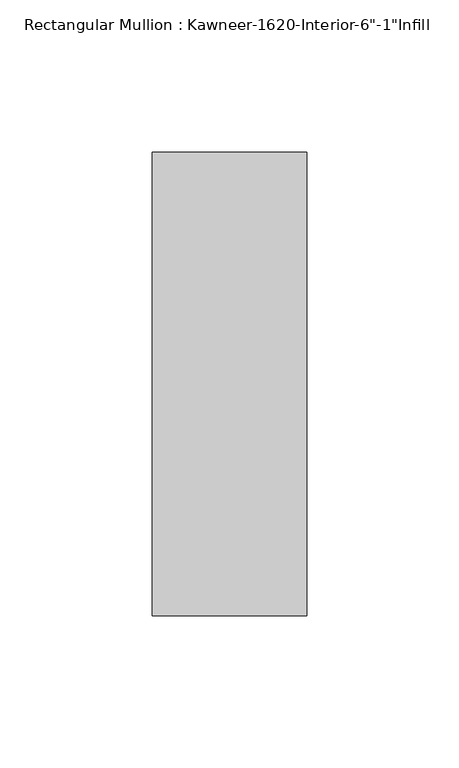
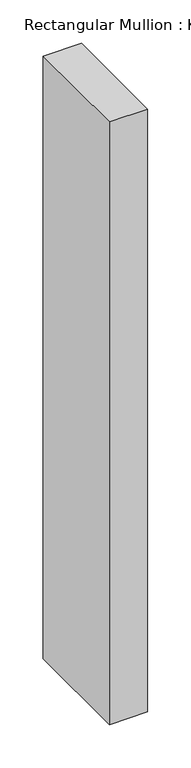
"""IFC4 building model written with IfcOpenShell, lengths in millimetres: member geometry."""

import ifcopenshell
import ifcopenshell.guid

model = None  # the IFC model being written
_history = None  # IfcOwnerHistory: only IFC2X3 demands one
_inside = {}  # id of a spatial element -> (the spatial element, [elements in it])
_under = {}  # id of a project, library or spatial element -> (it, [spatial elements below it])
_declared = {}  # id of a project -> (the project, [libraries it declares])
_typed = {}  # id of a type object -> (the type object, [elements of that type])
_made_of = {}  # id of a material, layer set ... -> (it, [elements and type objects made of it])


def new_model(schema):
    """Start an empty IFC model of exactly this schema.

    Asked for "IFC4X3", IfcOpenShell would pick the latest addendum, in which some entities
    have other attributes; the version numbers below select the first issue.
    IFC2X3 requires an IfcOwnerHistory on every rooted entity: one is made here for all.
    """
    global model, _history
    if schema == "IFC4X3":
        model = ifcopenshell.file(schema_version=(4, 3, 0, 0))
    else:
        model = ifcopenshell.file(schema=schema)
    _inside.clear()
    _under.clear()
    _declared.clear()
    _typed.clear()
    _made_of.clear()
    _history = None
    if model.schema == "IFC2X3":
        org = make("IfcOrganization", Name="unknown")
        user = make(
            "IfcPersonAndOrganization",
            ThePerson=make("IfcPerson", FamilyName="unknown"),
            TheOrganization=org,
        )
        app = make(
            "IfcApplication",
            ApplicationDeveloper=org,
            Version="unknown",
            ApplicationFullName="unknown",
            ApplicationIdentifier="unknown",
        )
        _history = make(
            "IfcOwnerHistory",
            OwningUser=user,
            OwningApplication=app,
            ChangeAction="ADDED",
            CreationDate=0,
        )
    return model


def make(cls, **values):
    """One entity of the class cls with the attributes given. An attribute that is None is left unset."""
    return model.create_entity(
        cls, **{name: value for name, value in values.items() if value is not None}
    )


def rooted(cls, **values):
    """An entity with a GlobalId (a new one), such as an element, a storey or a relation."""
    return make(cls, GlobalId=ifcopenshell.guid.new(), OwnerHistory=_history, **values)


def si_unit(unit_type, name, prefix=None):
    """IfcSIUnit, for example si_unit("LENGTHUNIT", "METRE", prefix="MILLI")."""
    return make("IfcSIUnit", UnitType=unit_type, Prefix=prefix, Name=name)


def assignment(units):
    """IfcUnitAssignment: the units of a project."""
    return None if units is None else make("IfcUnitAssignment", Units=units)


def point(xyz):
    """IfcCartesianPoint."""
    return None if xyz is None else make("IfcCartesianPoint", Coordinates=xyz)


def direction(xyz):
    """IfcDirection."""
    return None if xyz is None else make("IfcDirection", DirectionRatios=xyz)


def frame(location, z_axis=None, x_axis=None):
    """IfcAxis2Placement3D, a coordinate frame: its origin and axes. An axis left out is left unset."""
    return make(
        "IfcAxis2Placement3D",
        Location=point(location),
        Axis=direction(z_axis),
        RefDirection=direction(x_axis),
    )


def origin():
    """The frame at (0, 0, 0) with its axes left unset."""
    return frame((0.0, 0.0, 0.0))


def place(relative_to, where):
    """IfcLocalPlacement: puts the frame where relative to a parent placement (None: the world)."""
    return make(
        "IfcLocalPlacement", PlacementRelTo=relative_to, RelativePlacement=where
    )


def context(
    kind, dimensions, precision=None, world=None, true_north=None, identifier=None
):
    """IfcGeometricRepresentationContext, for example the 3D "Model" context."""
    return make(
        "IfcGeometricRepresentationContext",
        ContextIdentifier=identifier,
        ContextType=kind,
        CoordinateSpaceDimension=dimensions,
        Precision=precision,
        WorldCoordinateSystem=world,
        TrueNorth=true_north,
    )


def project(units=None, contexts=None):
    """IfcProject with its units and contexts."""
    return rooted(
        "IfcProject",
        Name="project",
        RepresentationContexts=contexts,
        UnitsInContext=assignment(units),
    )


def spatial(cls, under=None, at=None, **own):
    """A site, building, storey or space (cls), placed at a placement, below another one or the project."""
    s = rooted(cls, ObjectPlacement=at, **own)
    if under is not None:
        _under.setdefault(under.id(), (under, []))[1].append(s)
    return s


def polyline(points):
    """IfcPolyline through the points."""
    return make("IfcPolyline", Points=[point(p) for p in points])


def outline(outer, holes=None, kind="AREA"):
    """IfcArbitraryClosedProfileDef: a profile drawn as a closed curve; with holes, ...WithVoids."""
    if holes is None:
        return make("IfcArbitraryClosedProfileDef", ProfileType=kind, OuterCurve=outer)
    return make(
        "IfcArbitraryProfileDefWithVoids",
        ProfileType=kind,
        OuterCurve=outer,
        InnerCurves=holes,
    )


def extrude(swept, where, along, depth):
    """IfcExtrudedAreaSolid: the profile swept, set in the frame where, extruded along a direction by depth."""
    return make(
        "IfcExtrudedAreaSolid",
        SweptArea=swept,
        Position=where,
        ExtrudedDirection=direction(along),
        Depth=depth,
    )


def shape(context_of_items, identifier, shape_type, items):
    """IfcShapeRepresentation: the items that make up one representation, for example the "Body"."""
    return make(
        "IfcShapeRepresentation",
        ContextOfItems=context_of_items,
        RepresentationIdentifier=identifier,
        RepresentationType=shape_type,
        Items=items,
    )


def source(mapping_origin, context_of_items, identifier, shape_type, items):
    """IfcRepresentationMap: a shape defined once, which mapped items show again and again."""
    return make(
        "IfcRepresentationMap",
        MappingOrigin=mapping_origin,
        MappedRepresentation=shape(context_of_items, identifier, shape_type, items),
    )


def transform(
    local_origin,
    x_axis=None,
    y_axis=None,
    z_axis=None,
    scale=None,
    scale2=None,
    scale3=None,
    uniform=True,
):
    """IfcCartesianTransformationOperator3D, or its non-uniform kind. x_axis, y_axis, z_axis: its Axis1, 2, 3."""
    if uniform:
        return make(
            "IfcCartesianTransformationOperator3D",
            Axis1=direction(x_axis),
            Axis2=direction(y_axis),
            LocalOrigin=point(local_origin),
            Scale=scale,
            Axis3=direction(z_axis),
        )
    return make(
        "IfcCartesianTransformationOperator3DnonUniform",
        Axis1=direction(x_axis),
        Axis2=direction(y_axis),
        LocalOrigin=point(local_origin),
        Scale=scale,
        Axis3=direction(z_axis),
        Scale2=scale2,
        Scale3=scale3,
    )


def mapped(mapping_source, mapping_target):
    """IfcMappedItem: shows the shape of a source again, moved by a transform."""
    return make(
        "IfcMappedItem", MappingSource=mapping_source, MappingTarget=mapping_target
    )


def made_of(thing, what):
    """Note that an element or type object is made of a material, layer set ...; save() writes the relation."""
    if what is not None:
        _made_of.setdefault(what.id(), (what, []))[1].append(thing)
    return thing


def element(
    cls,
    number,
    at=None,
    inside=None,
    cuts=None,
    type_object=None,
    material=None,
    context=None,
    identifier="Body",
    shape_type=None,
    held_by="IfcProductDefinitionShape",
    body=None,
    shapes=None,
    **own,
):
    """One element of the class cls, such as IfcWall. Its Tag is "e" and its number.

    at: its placement. inside: the storey or other place that contains it. cuts: it is an
    opening in that element (IfcRelVoidsElement). A single representation is given by context,
    identifier, shape_type and body (its items); several are given by shapes. held_by: the class
    of the entity that holds the representations. save() writes the other relations.
    """
    e = rooted(cls, Tag="e%d" % number, ObjectPlacement=at, **own)
    if body is not None:
        shapes = [shape(context, identifier, shape_type, body)]
    if shapes is not None:
        e.Representation = make(held_by, Representations=shapes)
    if inside is not None:
        _inside.setdefault(inside.id(), (inside, []))[1].append(e)
    if cuts is not None:
        rooted(
            "IfcRelVoidsElement", RelatingBuildingElement=cuts, RelatedOpeningElement=e
        )
    if type_object is not None:
        _typed.setdefault(type_object.id(), (type_object, []))[1].append(e)
    return made_of(e, material)


def aggregate(whole, parts):
    """IfcRelAggregates: a whole, such as a stair, and the parts it consists of."""
    return rooted("IfcRelAggregates", RelatingObject=whole, RelatedObjects=parts)


def save(model, path):
    """Write the relations noted so far, then the file.

    IfcRelAggregates (storeys below a building ...), IfcRelContainedInSpatialStructure (elements
    in a storey), IfcRelDefinesByType, IfcRelAssociatesMaterial and IfcRelDeclares: one each for
    every whole, place, type object, material and project.
    """
    for whole, parts in _under.values():
        aggregate(whole, parts)
    for where, things in _inside.values():
        rooted(
            "IfcRelContainedInSpatialStructure",
            RelatedElements=things,
            RelatingStructure=where,
        )
    for kind, things in _typed.values():
        rooted("IfcRelDefinesByType", RelatedObjects=things, RelatingType=kind)
    for what, things in _made_of.values():
        rooted("IfcRelAssociatesMaterial", RelatedObjects=things, RelatingMaterial=what)
    for by, libraries in _declared.values():
        rooted("IfcRelDeclares", RelatingContext=by, RelatedDefinitions=libraries)
    model.write(path)


def member_674dd418(model_context):
    return source(origin(), model_context, "Body", "SweptSolid", [
        extrude(outline(polyline([(25.4, -114.3), (-25.4, -114.3), (-25.4, 38.1), (25.4, 38.1), (25.4, -114.3)])), frame((0.0, 0.0, -846.1375), z_axis=(0.0, 0.0, 1.0), x_axis=(1.0, 0.0, 0.0)), (0.0, 0.0, 1.0), 846.1375),
    ])


if __name__ == "__main__":
    model = new_model("IFC4")
    model_context = context("Model", 3, world=origin())
    ifc_project = project(units=[si_unit("LENGTHUNIT", "METRE", prefix="MILLI")], contexts=[model_context])
    site = spatial("IfcSite", under=ifc_project)
    building = spatial("IfcBuilding", under=site)
    placement = place(None, origin())
    member_shape = member_674dd418(model_context)
    element("IfcMember", 1, ObjectType="Rectangular Mullion : Kawneer-1620-Interior-6\"-1\"Infill", at=placement, inside=building, context=model_context, shape_type="MappedRepresentation", body=[
        mapped(member_shape, transform((0.0, 0.0, 0.0), x_axis=(1.0, 0.0, 0.0), y_axis=(0.0, 1.0, 0.0), z_axis=(0.0, 0.0, 1.0))),
    ])
    save(model, "model.ifc")
